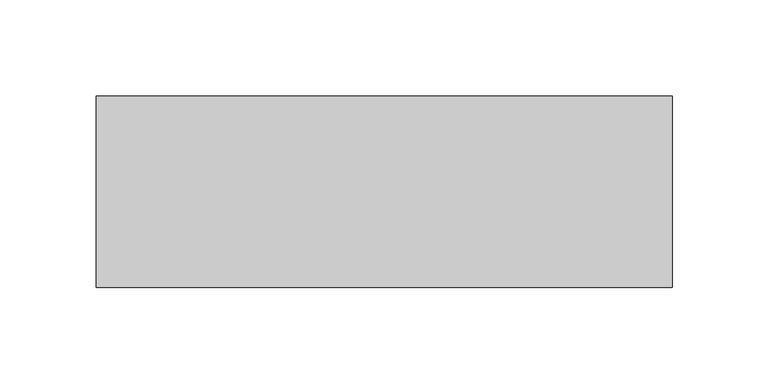
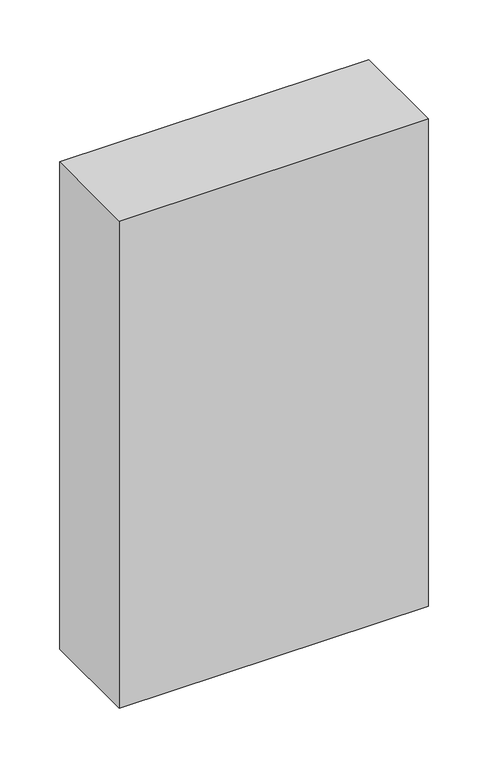
"""IFC4 building model written with IfcOpenShell, lengths in millimetres: proxy geometry."""

from ifc_helpers import new_model, si_unit, origin, origin_with_axes, place, context, project, spatial, polyline, outline, extrude, source, transform, mapped, element, save


def specialty_equipment_1a557260(model_context):
    return source(origin(), model_context, "Body", "SweptSolid", [
        extrude(outline(polyline([(300.0, 0.0), (300.0, -100.0), (0.0, -100.0), (0.0, 0.0), (300.0, 0.0)])), origin_with_axes(), (0.0, 0.0, 1.0), 500.0),
    ])


if __name__ == "__main__":
    model = new_model("IFC4")
    model_context = context("Model", 3, world=origin())
    ifc_project = project(units=[si_unit("LENGTHUNIT", "METRE", prefix="MILLI")], contexts=[model_context])
    site = spatial("IfcSite", under=ifc_project)
    building = spatial("IfcBuilding", under=site)
    placement = place(None, origin())
    specialty_equipment_shape = specialty_equipment_1a557260(model_context)
    element("IfcBuildingElementProxy", 1, Name="Specialty Equipment", at=placement, inside=building, context=model_context, shape_type="MappedRepresentation", body=[
        mapped(specialty_equipment_shape, transform((0.0, 0.0, 0.0), x_axis=(1.0, 0.0, 0.0), y_axis=(0.0, 1.0, 0.0), z_axis=(0.0, 0.0, 1.0))),
    ])
    save(model, "model.ifc")
